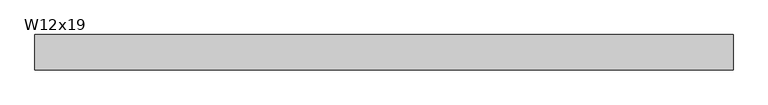
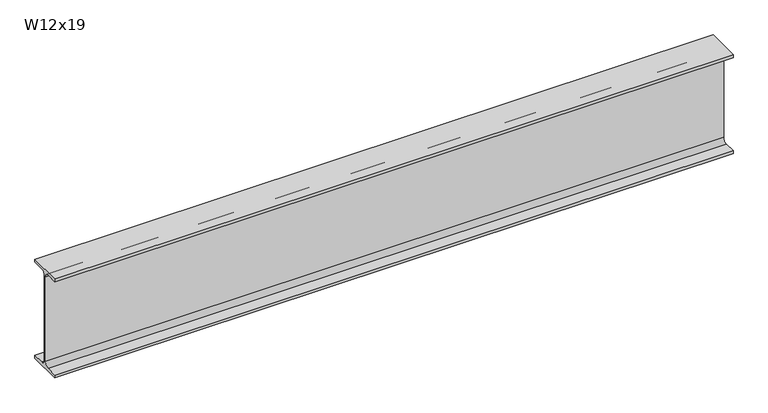
"""IFC4 building model written with IfcOpenShell, lengths in millimetres: beam geometry, W12x19."""

import ifcopenshell
import ifcopenshell.guid

model = None  # the IFC model being written
_history = None  # IfcOwnerHistory: only IFC2X3 demands one
_inside = {}  # id of a spatial element -> (the spatial element, [elements in it])
_under = {}  # id of a project, library or spatial element -> (it, [spatial elements below it])
_declared = {}  # id of a project -> (the project, [libraries it declares])
_typed = {}  # id of a type object -> (the type object, [elements of that type])
_made_of = {}  # id of a material, layer set ... -> (it, [elements and type objects made of it])


def new_model(schema):
    """Start an empty IFC model of exactly this schema.

    Asked for "IFC4X3", IfcOpenShell would pick the latest addendum, in which some entities
    have other attributes; the version numbers below select the first issue.
    IFC2X3 requires an IfcOwnerHistory on every rooted entity: one is made here for all.
    """
    global model, _history
    if schema == "IFC4X3":
        model = ifcopenshell.file(schema_version=(4, 3, 0, 0))
    else:
        model = ifcopenshell.file(schema=schema)
    _inside.clear()
    _under.clear()
    _declared.clear()
    _typed.clear()
    _made_of.clear()
    _history = None
    if model.schema == "IFC2X3":
        org = make("IfcOrganization", Name="unknown")
        user = make(
            "IfcPersonAndOrganization",
            ThePerson=make("IfcPerson", FamilyName="unknown"),
            TheOrganization=org,
        )
        app = make(
            "IfcApplication",
            ApplicationDeveloper=org,
            Version="unknown",
            ApplicationFullName="unknown",
            ApplicationIdentifier="unknown",
        )
        _history = make(
            "IfcOwnerHistory",
            OwningUser=user,
            OwningApplication=app,
            ChangeAction="ADDED",
            CreationDate=0,
        )
    return model


def make(cls, **values):
    """One entity of the class cls with the attributes given. An attribute that is None is left unset."""
    return model.create_entity(
        cls, **{name: value for name, value in values.items() if value is not None}
    )


def rooted(cls, **values):
    """An entity with a GlobalId (a new one), such as an element, a storey or a relation."""
    return make(cls, GlobalId=ifcopenshell.guid.new(), OwnerHistory=_history, **values)


def si_unit(unit_type, name, prefix=None):
    """IfcSIUnit, for example si_unit("LENGTHUNIT", "METRE", prefix="MILLI")."""
    return make("IfcSIUnit", UnitType=unit_type, Prefix=prefix, Name=name)


def assignment(units):
    """IfcUnitAssignment: the units of a project."""
    return None if units is None else make("IfcUnitAssignment", Units=units)


def point(xyz):
    """IfcCartesianPoint."""
    return None if xyz is None else make("IfcCartesianPoint", Coordinates=xyz)


def direction(xyz):
    """IfcDirection."""
    return None if xyz is None else make("IfcDirection", DirectionRatios=xyz)


def frame(location, z_axis=None, x_axis=None):
    """IfcAxis2Placement3D, a coordinate frame: its origin and axes. An axis left out is left unset."""
    return make(
        "IfcAxis2Placement3D",
        Location=point(location),
        Axis=direction(z_axis),
        RefDirection=direction(x_axis),
    )


def frame_2d(location, x_axis=None):
    """IfcAxis2Placement2D, a coordinate frame in the plane: its origin and x axis."""
    return make(
        "IfcAxis2Placement2D", Location=point(location), RefDirection=direction(x_axis)
    )


def origin():
    """The frame at (0, 0, 0) with its axes left unset."""
    return frame((0.0, 0.0, 0.0))


def place(relative_to, where):
    """IfcLocalPlacement: puts the frame where relative to a parent placement (None: the world)."""
    return make(
        "IfcLocalPlacement", PlacementRelTo=relative_to, RelativePlacement=where
    )


def context(
    kind, dimensions, precision=None, world=None, true_north=None, identifier=None
):
    """IfcGeometricRepresentationContext, for example the 3D "Model" context."""
    return make(
        "IfcGeometricRepresentationContext",
        ContextIdentifier=identifier,
        ContextType=kind,
        CoordinateSpaceDimension=dimensions,
        Precision=precision,
        WorldCoordinateSystem=world,
        TrueNorth=true_north,
    )


def project(units=None, contexts=None):
    """IfcProject with its units and contexts."""
    return rooted(
        "IfcProject",
        Name="project",
        RepresentationContexts=contexts,
        UnitsInContext=assignment(units),
    )


def spatial(cls, under=None, at=None, **own):
    """A site, building, storey or space (cls), placed at a placement, below another one or the project."""
    s = rooted(cls, ObjectPlacement=at, **own)
    if under is not None:
        _under.setdefault(under.id(), (under, []))[1].append(s)
    return s


def polyline(points):
    """IfcPolyline through the points."""
    return make("IfcPolyline", Points=[point(p) for p in points])


def circle_curve(where, radius):
    """IfcCircle in the frame where."""
    return make("IfcCircle", Position=where, Radius=radius)


def trimmed(basis, trim1, trim2, sense, master):
    """IfcTrimmedCurve: the piece of a basis curve between two trims."""
    return make(
        "IfcTrimmedCurve",
        BasisCurve=basis,
        Trim1=trim1,
        Trim2=trim2,
        SenseAgreement=sense,
        MasterRepresentation=master,
    )


def segment(curve, same_sense, transition):
    """IfcCompositeCurveSegment."""
    return make(
        "IfcCompositeCurveSegment",
        Transition=transition,
        SameSense=same_sense,
        ParentCurve=curve,
    )


def composite_curve(segments, self_intersect=None):
    """IfcCompositeCurve: segments joined end to end."""
    return make("IfcCompositeCurve", Segments=segments, SelfIntersect=self_intersect)


def outline(outer, holes=None, kind="AREA"):
    """IfcArbitraryClosedProfileDef: a profile drawn as a closed curve; with holes, ...WithVoids."""
    if holes is None:
        return make("IfcArbitraryClosedProfileDef", ProfileType=kind, OuterCurve=outer)
    return make(
        "IfcArbitraryProfileDefWithVoids",
        ProfileType=kind,
        OuterCurve=outer,
        InnerCurves=holes,
    )


def extrude(swept, where, along, depth):
    """IfcExtrudedAreaSolid: the profile swept, set in the frame where, extruded along a direction by depth."""
    return make(
        "IfcExtrudedAreaSolid",
        SweptArea=swept,
        Position=where,
        ExtrudedDirection=direction(along),
        Depth=depth,
    )


def shape(context_of_items, identifier, shape_type, items):
    """IfcShapeRepresentation: the items that make up one representation, for example the "Body"."""
    return make(
        "IfcShapeRepresentation",
        ContextOfItems=context_of_items,
        RepresentationIdentifier=identifier,
        RepresentationType=shape_type,
        Items=items,
    )


def source(mapping_origin, context_of_items, identifier, shape_type, items):
    """IfcRepresentationMap: a shape defined once, which mapped items show again and again."""
    return make(
        "IfcRepresentationMap",
        MappingOrigin=mapping_origin,
        MappedRepresentation=shape(context_of_items, identifier, shape_type, items),
    )


def transform(
    local_origin,
    x_axis=None,
    y_axis=None,
    z_axis=None,
    scale=None,
    scale2=None,
    scale3=None,
    uniform=True,
):
    """IfcCartesianTransformationOperator3D, or its non-uniform kind. x_axis, y_axis, z_axis: its Axis1, 2, 3."""
    if uniform:
        return make(
            "IfcCartesianTransformationOperator3D",
            Axis1=direction(x_axis),
            Axis2=direction(y_axis),
            LocalOrigin=point(local_origin),
            Scale=scale,
            Axis3=direction(z_axis),
        )
    return make(
        "IfcCartesianTransformationOperator3DnonUniform",
        Axis1=direction(x_axis),
        Axis2=direction(y_axis),
        LocalOrigin=point(local_origin),
        Scale=scale,
        Axis3=direction(z_axis),
        Scale2=scale2,
        Scale3=scale3,
    )


def mapped(mapping_source, mapping_target):
    """IfcMappedItem: shows the shape of a source again, moved by a transform."""
    return make(
        "IfcMappedItem", MappingSource=mapping_source, MappingTarget=mapping_target
    )


def made_of(thing, what):
    """Note that an element or type object is made of a material, layer set ...; save() writes the relation."""
    if what is not None:
        _made_of.setdefault(what.id(), (what, []))[1].append(thing)
    return thing


def element(
    cls,
    number,
    at=None,
    inside=None,
    cuts=None,
    type_object=None,
    material=None,
    context=None,
    identifier="Body",
    shape_type=None,
    held_by="IfcProductDefinitionShape",
    body=None,
    shapes=None,
    **own,
):
    """One element of the class cls, such as IfcWall. Its Tag is "e" and its number.

    at: its placement. inside: the storey or other place that contains it. cuts: it is an
    opening in that element (IfcRelVoidsElement). A single representation is given by context,
    identifier, shape_type and body (its items); several are given by shapes. held_by: the class
    of the entity that holds the representations. save() writes the other relations.
    """
    e = rooted(cls, Tag="e%d" % number, ObjectPlacement=at, **own)
    if body is not None:
        shapes = [shape(context, identifier, shape_type, body)]
    if shapes is not None:
        e.Representation = make(held_by, Representations=shapes)
    if inside is not None:
        _inside.setdefault(inside.id(), (inside, []))[1].append(e)
    if cuts is not None:
        rooted(
            "IfcRelVoidsElement", RelatingBuildingElement=cuts, RelatedOpeningElement=e
        )
    if type_object is not None:
        _typed.setdefault(type_object.id(), (type_object, []))[1].append(e)
    return made_of(e, material)


def aggregate(whole, parts):
    """IfcRelAggregates: a whole, such as a stair, and the parts it consists of."""
    return rooted("IfcRelAggregates", RelatingObject=whole, RelatedObjects=parts)


def save(model, path):
    """Write the relations noted so far, then the file.

    IfcRelAggregates (storeys below a building ...), IfcRelContainedInSpatialStructure (elements
    in a storey), IfcRelDefinesByType, IfcRelAssociatesMaterial and IfcRelDeclares: one each for
    every whole, place, type object, material and project.
    """
    for whole, parts in _under.values():
        aggregate(whole, parts)
    for where, things in _inside.values():
        rooted(
            "IfcRelContainedInSpatialStructure",
            RelatedElements=things,
            RelatingStructure=where,
        )
    for kind, things in _typed.values():
        rooted("IfcRelDefinesByType", RelatedObjects=things, RelatingType=kind)
    for what, things in _made_of.values():
        rooted("IfcRelAssociatesMaterial", RelatedObjects=things, RelatingMaterial=what)
    for by, libraries in _declared.values():
        rooted("IfcRelDeclares", RelatingContext=by, RelatedDefinitions=libraries)
    model.write(path)


def w12x19_08bd8d5f(model_context):
    return source(origin(), model_context, "Body", "SweptSolid", [
        extrude(outline(composite_curve([segment(polyline([(50.927, -146.05), (50.927, -154.94), (-50.927, -154.94), (-50.927, -146.05), (-16.3195, -146.05)]), True, "CONTINUOUS"), segment(trimmed(circle_curve(frame_2d((-16.3195, -132.715)), 13.335), [point((-16.3195, -146.05))], [point((-2.9845, -132.715))], True, "CARTESIAN"), True, "CONTINUOUS"), segment(polyline([(-2.9845, -132.715), (-2.9845, 132.715)]), True, "CONTINUOUS"), segment(trimmed(circle_curve(frame_2d((-16.3195, 132.715)), 13.335), [point((-2.9845, 132.715))], [point((-16.3195, 146.05))], True, "CARTESIAN"), True, "CONTINUOUS"), segment(polyline([(-16.3195, 146.05), (-50.927, 146.05), (-50.927, 154.94), (50.927, 154.94), (50.927, 146.05), (16.3195, 146.05)]), True, "CONTINUOUS"), segment(trimmed(circle_curve(frame_2d((16.3195, 132.715)), 13.335), [point((16.3195, 146.05))], [point((2.9845, 132.715))], True, "CARTESIAN"), True, "CONTINUOUS"), segment(polyline([(2.9845, 132.715), (2.9845, -132.715)]), True, "CONTINUOUS"), segment(trimmed(circle_curve(frame_2d((16.3195, -132.715)), 13.335), [point((2.9845, -132.715))], [point((16.3195, -146.05))], True, "CARTESIAN"), True, "CONTINUOUS"), segment(polyline([(16.3195, -146.05), (50.927, -146.05)]), True, "CONTINUOUS")], self_intersect=False)), frame((-1003.3, 0.0, 0.0), z_axis=(1.0, 0.0, 0.0), x_axis=(0.0, 1.0, 0.0)), (0.0, 0.0, 1.0), 2006.6),
    ])


if __name__ == "__main__":
    model = new_model("IFC4")
    model_context = context("Model", 3, world=origin())
    ifc_project = project(units=[si_unit("LENGTHUNIT", "METRE", prefix="MILLI")], contexts=[model_context])
    site = spatial("IfcSite", under=ifc_project)
    building = spatial("IfcBuilding", under=site)
    placement = place(None, origin())
    w12x19_shape = w12x19_08bd8d5f(model_context)
    element("IfcBeam", 1, ObjectType="W12x19", at=placement, inside=building, context=model_context, shape_type="MappedRepresentation", body=[
        mapped(w12x19_shape, transform((0.0, 0.0, 0.0), x_axis=(1.0, 0.0, 0.0), y_axis=(0.0, 1.0, 0.0), z_axis=(0.0, 0.0, 1.0))),
    ])
    save(model, "model.ifc")
